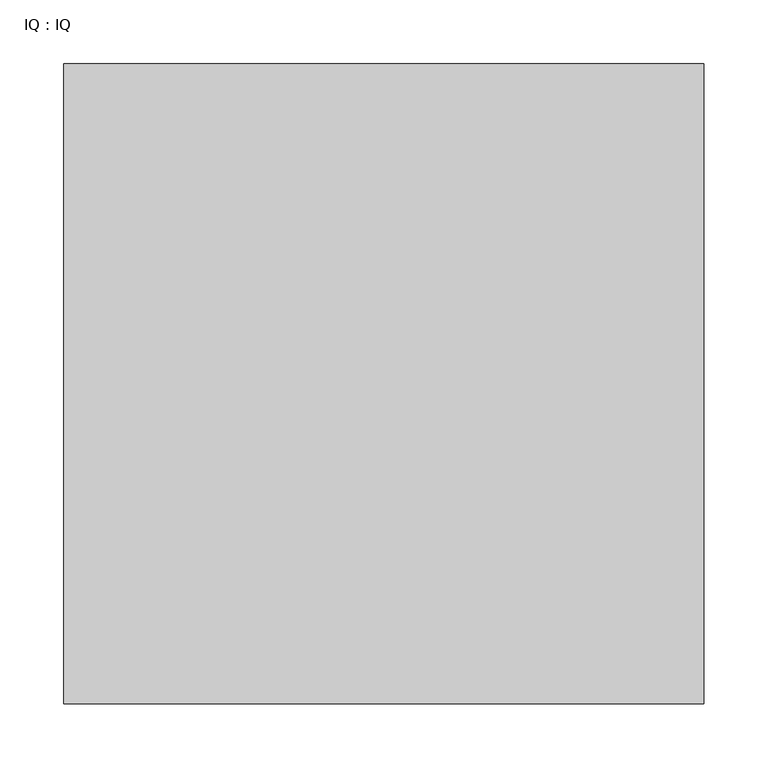
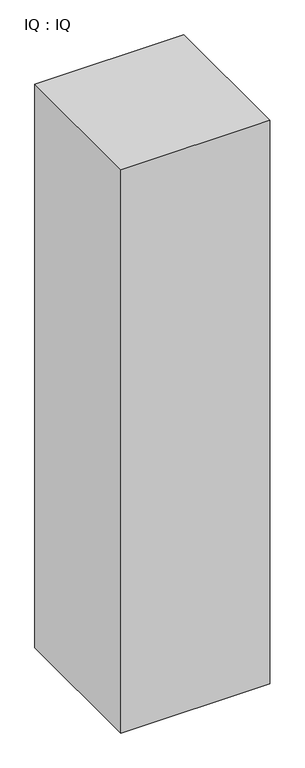
"""IFC4 building model written with IfcOpenShell, lengths in millimetres: proxy geometry, IQ : IQ."""

from ifc_helpers import new_model, si_unit, origin, origin_with_axes, place, context, project, spatial, polyline, outline, extrude, source, transform, mapped, element, save


def iq_iq_bda92d46(model_context):
    return source(origin(), model_context, "Body", "SweptSolid", [
        extrude(outline(polyline([(500.0, 500.0), (500.0, 0.0), (0.0, 0.0), (0.0, 500.0), (500.0, 500.0)])), origin_with_axes(), (0.0, 0.0, 1.0), 2000.0),
    ])


if __name__ == "__main__":
    model = new_model("IFC4")
    model_context = context("Model", 3, world=origin())
    ifc_project = project(units=[si_unit("LENGTHUNIT", "METRE", prefix="MILLI")], contexts=[model_context])
    site = spatial("IfcSite", under=ifc_project)
    building = spatial("IfcBuilding", under=site)
    placement = place(None, origin())
    iq_iq_shape = iq_iq_bda92d46(model_context)
    element("IfcBuildingElementProxy", 1, Name="IQ : IQ", ObjectType="IQ : IQ", at=placement, inside=building, context=model_context, shape_type="MappedRepresentation", body=[
        mapped(iq_iq_shape, transform((0.0, 0.0, 0.0), x_axis=(1.0, 0.0, 0.0), y_axis=(0.0, 1.0, 0.0), z_axis=(0.0, 0.0, 1.0))),
    ])
    save(model, "model.ifc")
